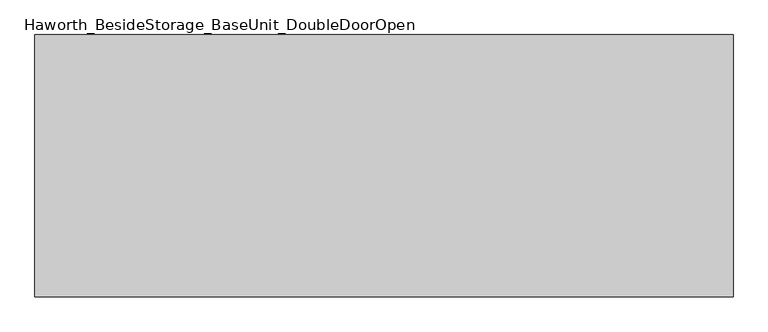
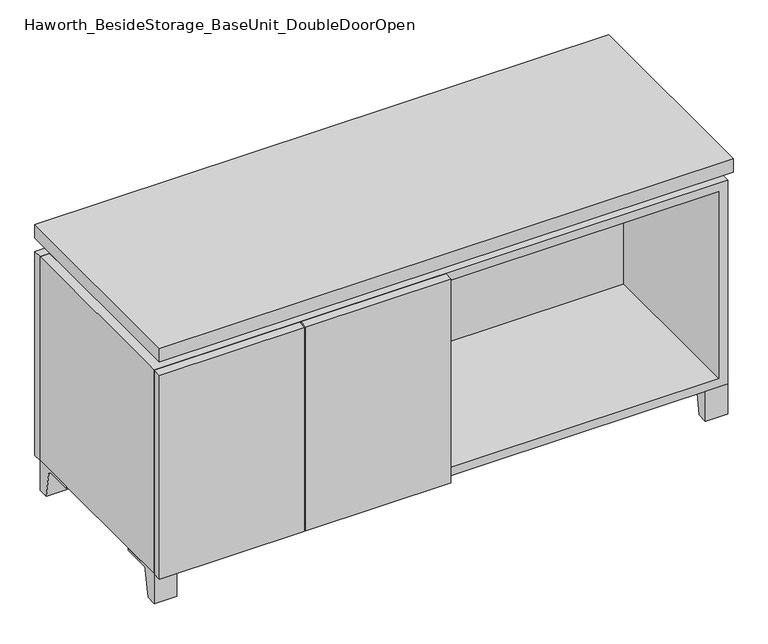
"""IFC4 building model written with IfcOpenShell, lengths in millimetres: furniture geometry, Haworth_BesideStorage_BaseUnit_DoubleDoorOpen."""

from ifc_helpers import new_model, si_unit, point, frame, frame_2d, origin, place, context, project, spatial, polyline, circle_curve, trimmed, segment, composite_curve, outline, extrude, faceted_brep, source, transform, mapped, element, save


def haworth_besidestorage_baseunit_doubledooropen_ae6b3f27(model_context):
    return source(origin(), model_context, "Body", "SolidModel", [
        extrude(outline(composite_curve([segment(polyline([(44.9791531, 0.0), (22.225, 0.0), (22.225, 66.675), (117.475, 66.675), (117.475, 61.8963321), (60.6744655, 61.8963321)]), True, "CONTINUOUS"), segment(trimmed(circle_curve(frame_2d((60.6744655, 55.5463321)), 6.35), [point((60.6744655, 61.8963321))], [point((54.4108641, 56.5902656))], True, "CARTESIAN"), True, "CONTINUOUS"), segment(polyline([(54.4108641, 56.5902656), (44.9791531, 0.0)]), True, "CONTINUOUS")], self_intersect=False)), frame((-23.7986094, 0.0, 0.0), z_axis=(1.0, 0.0, 0.0), x_axis=(0.0, 1.0, 0.0)), (0.0, 0.0, 1.0), 47.625),
        extrude(outline(composite_curve([segment(polyline([(-123.2958469, 0.0), (-146.05, 0.0), (-146.05, 66.675), (-50.8, 66.675), (-50.8, 61.8963321), (-107.6005345, 61.8963321)]), True, "CONTINUOUS"), segment(trimmed(circle_curve(frame_2d((-107.6005345, 55.5463321)), 6.35), [point((-107.6005345, 61.8963321))], [point((-113.8641359, 56.5902656))], True, "CARTESIAN"), True, "CONTINUOUS"), segment(polyline([(-113.8641359, 56.5902656), (-123.2958469, 0.0)]), True, "CONTINUOUS")], self_intersect=False)), frame((560.4013906, 0.0, 0.0), z_axis=(1.0, 0.0, 0.0), x_axis=(0.0, 1.0, 0.0)), (0.0, 0.0, 1.0), 47.625),
        extrude(outline(composite_curve([segment(polyline([(250.2958469, 0.0), (240.8641359, 56.5902656)]), True, "CONTINUOUS"), segment(trimmed(circle_curve(frame_2d((234.6005345, 55.5463321)), 6.35), [point((240.8641359, 56.5902656))], [point((234.6005345, 61.8963321))], True, "CARTESIAN"), True, "CONTINUOUS"), segment(polyline([(234.6005345, 61.8963321), (177.8, 61.8963321), (177.8, 66.675), (273.05, 66.675), (273.05, 0.0), (250.2958469, 0.0)]), True, "CONTINUOUS")], self_intersect=False)), frame((560.4013906, 0.0, 0.0), z_axis=(1.0, 0.0, 0.0), x_axis=(0.0, 1.0, 0.0)), (0.0, 0.0, 1.0), 47.625),
        extrude(outline(composite_curve([segment(polyline([(-123.2958469, 0.0), (-146.05, 0.0), (-146.05, 66.675), (-50.8, 66.675), (-50.8, 61.8963321), (-107.6005345, 61.8963321)]), True, "CONTINUOUS"), segment(trimmed(circle_curve(frame_2d((-107.6005345, 55.5463321)), 6.35), [point((-107.6005345, 61.8963321))], [point((-113.8641359, 56.5902656))], True, "CARTESIAN"), True, "CONTINUOUS"), segment(polyline([(-113.8641359, 56.5902656), (-123.2958469, 0.0)]), True, "CONTINUOUS")], self_intersect=False)), frame((-607.9986094, 0.0, 0.0), z_axis=(1.0, 0.0, 0.0), x_axis=(0.0, 1.0, 0.0)), (0.0, 0.0, 1.0), 47.625),
        extrude(outline(composite_curve([segment(polyline([(250.2958469, 0.0), (240.8641359, 56.5902656)]), True, "CONTINUOUS"), segment(trimmed(circle_curve(frame_2d((234.6005345, 55.5463321)), 6.35), [point((240.8641359, 56.5902656))], [point((234.6005345, 61.8963321))], True, "CARTESIAN"), True, "CONTINUOUS"), segment(polyline([(234.6005345, 61.8963321), (177.8, 61.8963321), (177.8, 66.675), (273.05, 66.675), (273.05, 0.0), (250.2958469, 0.0)]), True, "CONTINUOUS")], self_intersect=False)), frame((-607.9986094, 0.0, 0.0), z_axis=(1.0, 0.0, 0.0), x_axis=(0.0, 1.0, 0.0)), (0.0, 0.0, 1.0), 47.625),
        faceted_brep([(-607.9986094, -146.05, 66.675), (608.0125, -146.05, 66.675), (608.0125, -146.05, 523.875), (-607.9986094, -146.05, 523.875), (-588.9486094, -146.05, 85.725), (-588.9486094, -146.05, 504.825), (588.9694453, -146.05, 504.825), (588.9486094, -146.05, 85.725), (-607.9986094, 273.05, 66.675), (-607.9986094, 273.05, 523.875), (-588.9486094, 273.05, 523.875), (-588.9486094, 273.05, 85.725), (588.9486094, 273.05, 85.725), (588.9486094, 273.05, 523.875), (608.0125, 273.05, 523.875), (608.0125, 273.05, 66.675), (588.9486094, 247.65, 523.875), (-588.9416641, 247.65, 523.875), (-588.9486094, 247.65, 504.825), (588.9486094, 247.65, 504.825)], [[[0, 1, 2, 3], [4, 5, 6, 7]], [[8, 9, 10, 11, 12, 13, 14, 15]], [[1, 0, 8, 15]], [[2, 1, 15, 14]], [[3, 2, 14, 13, 16, 17, 10, 9]], [[0, 3, 9, 8]], [[11, 10, 17, 18, 5, 4]], [[13, 12, 7, 6, 19, 16]], [[4, 7, 12, 11]], [[6, 5, 18, 19]], [[17, 16, 19, 18]]]),
        extrude(outline(polyline([(608.0263906, -165.1), (-607.9986094, -165.1), (-607.9986094, 292.1), (608.0263906, 292.1), (608.0263906, -165.1)])), frame((0.0, 0.0, 554.0375), z_axis=(0.0, 0.0, 1.0), x_axis=(1.0, 0.0, 0.0)), (0.0, 0.0, 1.0), 30.1625),
        faceted_brep([(7.9513906, -69.85, 554.0375), (7.9513906, -69.85, 523.875), (7.9513906, 53.975, 523.875), (7.9513906, 53.975, 554.0375), (7.9513906, 196.85, 523.875), (7.9513906, 196.85, 554.0375), (7.9513906, 73.025, 554.0375), (7.9513906, 73.025, 523.875), (-7.9236094, 196.85, 554.0375), (-7.9236094, 196.85, 523.875), (-7.9236094, 73.025, 523.875), (-7.9236094, 73.025, 554.0375), (-7.9236094, -69.85, 523.875), (-7.9236094, -69.85, 554.0375), (-7.9236094, 53.975, 554.0375), (-7.9236094, 53.975, 523.875), (-566.6958281, 73.025, 554.0375), (-566.7166641, 247.65, 554.0375), (-582.5916641, 247.65, 554.0375), (-582.5916641, -120.65, 554.0375), (-566.7166641, -120.65, 554.0375), (-566.7166641, 53.975, 554.0375), (566.7236094, 53.975, 554.0375), (566.7236094, -120.65, 554.0375), (582.5986094, -120.65, 554.0375), (582.5986094, 247.65, 554.0375), (566.7236094, 247.65, 554.0375), (566.7236094, 73.025, 554.0375), (-566.6958281, 53.975, 523.875), (-566.7166641, -120.65, 523.875), (-582.5916641, -120.65, 523.875), (-582.5916641, 247.65, 523.875), (-566.7166641, 247.65, 523.875), (-566.7166641, 73.025, 523.875), (566.7236094, 73.025, 523.875), (566.7236094, 247.65, 523.875), (582.5986094, 247.65, 523.875), (582.5986094, -120.65, 523.875), (566.7236094, -120.65, 523.875), (566.7236094, 53.975, 523.875)], [[[0, 1, 2, 3]], [[4, 5, 6, 7]], [[8, 9, 10, 11]], [[12, 13, 14, 15]], [[5, 8, 11, 16, 17, 18, 19, 20, 21, 14, 13, 0, 3, 22, 23, 24, 25, 26, 27, 6]], [[1, 12, 15, 28, 29, 30, 31, 32, 33, 10, 9, 4, 7, 34, 35, 36, 37, 38, 39, 2]], [[5, 4, 9, 8]], [[1, 0, 13, 12]], [[6, 27, 34, 7]], [[22, 3, 2, 39]], [[20, 29, 28, 21]], [[32, 17, 16, 33]], [[18, 31, 30, 19]], [[29, 20, 19, 30]], [[17, 32, 31, 18]], [[26, 35, 34, 27]], [[38, 23, 22, 39]], [[25, 24, 37, 36]], [[23, 38, 37, 24]], [[35, 26, 25, 36]], [[16, 11, 10, 33]], [[14, 21, 28, 15]]]),
        extrude(outline(polyline([(9.5388906, 203.2), (9.5388906, -146.05), (-9.5111094, -146.05), (-9.5111094, 203.2), (9.5388906, 203.2)])), frame((0.0, 0.0, 85.725), z_axis=(0.0, 0.0, 1.0), x_axis=(1.0, 0.0, 0.0)), (0.0, 0.0, 1.0), 419.1),
        extrude(outline(polyline([(608.0263906, 273.05), (-607.9986094, 273.05), (-607.9986094, 292.1), (608.0263906, 292.1), (608.0263906, 273.05)])), frame((0.0, 0.0, 66.675), z_axis=(0.0, 0.0, 1.0), x_axis=(1.0, 0.0, 0.0)), (0.0, 0.0, 1.0), 457.2),
        extrude(outline(polyline([(-588.9416641, 203.2), (-588.9416641, 209.55), (588.9694453, 209.55), (588.9694453, 203.2), (-588.9416641, 203.2)])), frame((0.0, 0.0, 85.725), z_axis=(0.0, 0.0, 1.0), x_axis=(1.0, 0.0, 0.0)), (0.0, 0.0, 1.0), 419.1),
        extrude(outline(polyline([(9.5388906, -165.1), (-297.6423594, -165.1), (-297.6423594, -146.05), (9.5388906, -146.05), (9.5388906, -165.1)])), frame((0.0, 0.0, 66.675), z_axis=(0.0, 0.0, 1.0), x_axis=(1.0, 0.0, 0.0)), (0.0, 0.0, 1.0), 457.2),
        extrude(outline(polyline([(-300.8173594, -165.1), (-607.9986094, -165.1), (-607.9986094, -146.05), (-300.8173594, -146.05), (-300.8173594, -165.1)])), frame((0.0, 0.0, 66.675), z_axis=(0.0, 0.0, 1.0), x_axis=(1.0, 0.0, 0.0)), (0.0, 0.0, 1.0), 457.2),
    ])


if __name__ == "__main__":
    model = new_model("IFC4")
    model_context = context("Model", 3, world=origin())
    ifc_project = project(units=[si_unit("LENGTHUNIT", "METRE", prefix="MILLI")], contexts=[model_context])
    site = spatial("IfcSite", under=ifc_project)
    building = spatial("IfcBuilding", under=site)
    placement = place(None, origin())
    haworth_besidestorage_baseunit_doubledooropen_shape = haworth_besidestorage_baseunit_doubledooropen_ae6b3f27(model_context)
    element("IfcFurniture", 1, ObjectType="Haworth_BesideStorage_BaseUnit_DoubleDoorOpen", at=placement, inside=building, context=model_context, shape_type="MappedRepresentation", body=[
        mapped(haworth_besidestorage_baseunit_doubledooropen_shape, transform((0.0, 0.0, 0.0), x_axis=(1.0, 0.0, 0.0), y_axis=(0.0, 1.0, 0.0), z_axis=(0.0, 0.0, 1.0))),
    ])
    save(model, "model.ifc")
